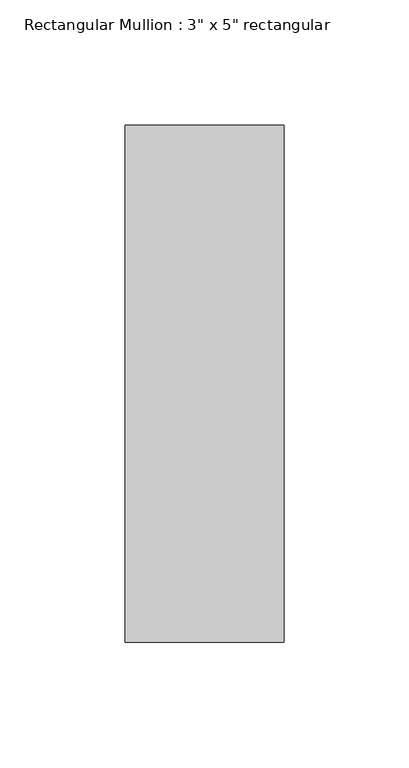
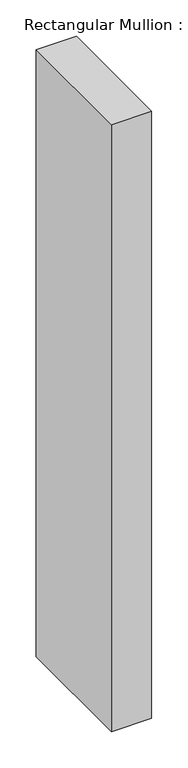
"""IFC4 building model written with IfcOpenShell, lengths in millimetres: member geometry."""

from ifc_helpers import new_model, si_unit, frame, origin, place, context, project, spatial, polyline, outline, extrude, source, transform, mapped, element, save


def member_2af341f2(model_context):
    return source(origin(), model_context, "Body", "SweptSolid", [
        extrude(outline(polyline([(31.75, 90.551), (31.75, -115.951), (-31.75, -115.951), (-31.75, 90.551), (31.75, 90.551)])), frame((0.0, 0.0, -1016.0), z_axis=(0.0, 0.0, 1.0), x_axis=(1.0, 0.0, 0.0)), (0.0, 0.0, 1.0), 1016.0),
    ])


if __name__ == "__main__":
    model = new_model("IFC4")
    model_context = context("Model", 3, world=origin())
    ifc_project = project(units=[si_unit("LENGTHUNIT", "METRE", prefix="MILLI")], contexts=[model_context])
    site = spatial("IfcSite", under=ifc_project)
    building = spatial("IfcBuilding", under=site)
    placement = place(None, origin())
    member_shape = member_2af341f2(model_context)
    element("IfcMember", 1, ObjectType="Rectangular Mullion : 3\" x 5\" rectangular", at=placement, inside=building, context=model_context, shape_type="MappedRepresentation", body=[
        mapped(member_shape, transform((0.0, 0.0, 0.0), x_axis=(1.0, 0.0, 0.0), y_axis=(0.0, 1.0, 0.0), z_axis=(0.0, 0.0, 1.0))),
    ])
    save(model, "model.ifc")
